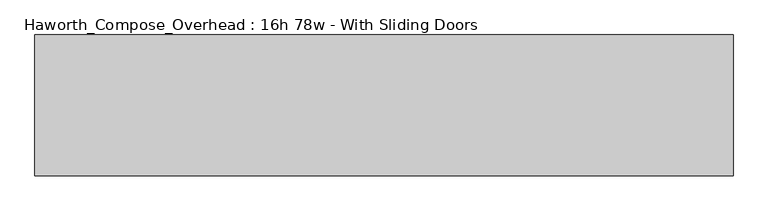
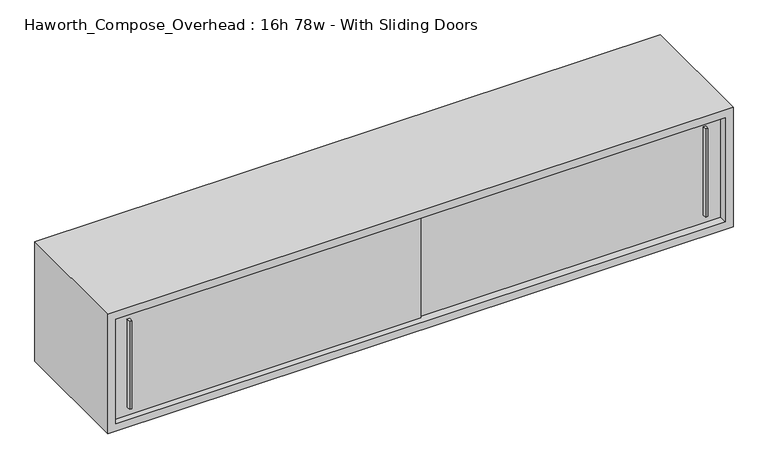
"""IFC4 building model written with IfcOpenShell, lengths in millimetres: furniture geometry, Haworth_Compose_Overhead : 16h 78w - With Sliding Doors."""

from ifc_helpers import new_model, si_unit, frame, origin, place, context, project, spatial, polyline, outline, extrude, source, transform, mapped, element, save


def haworth_compose_overhead_16h_78w_with_sliding_doors_c0ae3d52(model_context):
    return source(origin(), model_context, "Body", "SweptSolid", [
        extrude(outline(polyline([(1082.6750004, -387.3499879), (1076.3249996, -387.3499879), (1074.7375011, -374.65), (1084.2624989, -374.65), (1082.6750004, -387.3499879)])), frame((0.0, 0.0, 1322.3875), z_axis=(0.0, 0.0, 1.0), x_axis=(1.0, 0.0, 0.0)), (0.0, 0.0, 1.0), 295.275),
        extrude(outline(polyline([(-746.1249996, -393.6999879), (-752.4750004, -393.6999879), (-754.0624989, -381.0), (-744.5375011, -381.0), (-746.1249996, -393.6999879)])), frame((0.0, 0.0, 1322.3875), z_axis=(0.0, 0.0, 1.0), x_axis=(1.0, 0.0, 0.0)), (0.0, 0.0, 1.0), 295.275),
        extrude(outline(polyline([(-800.1, -374.65), (177.8, -374.65), (177.8, -381.0), (-800.1, -381.0), (-800.1, -374.65)])), frame((0.0, 0.0, 1295.4), z_axis=(0.0, 0.0, 1.0), x_axis=(1.0, 0.0, 0.0)), (0.0, 0.0, 1.0), 349.25),
        extrude(outline(polyline([(152.4, -368.3), (1130.3, -368.3), (1130.3, -374.65), (152.4, -374.65), (152.4, -368.3)])), frame((0.0, 0.0, 1295.4), z_axis=(0.0, 0.0, 1.0), x_axis=(1.0, 0.0, 0.0)), (0.0, 0.0, 1.0), 349.25),
        extrude(outline(polyline([(1130.3, -6.35), (-800.1, -6.35), (-800.1, 0.0), (1130.3, 0.0), (1130.3, -6.35)])), frame((0.0, 0.0, 1295.4), z_axis=(0.0, 0.0, 1.0), x_axis=(1.0, 0.0, 0.0)), (0.0, 0.0, 1.0), 349.25),
        extrude(outline(polyline([(1270.0, 1155.7), (1670.05, 1155.7), (1670.05, -825.5), (1270.0, -825.5), (1270.0, 1155.7)]), holes=[polyline([(1644.65, 1130.3), (1295.4, 1130.3), (1295.4, -800.1), (1644.65, -800.1), (1644.65, 1130.3)])]), frame((0.0, -400.05, 0.0), z_axis=(0.0, 1.0, 0.0), x_axis=(0.0, 0.0, 1.0)), (0.0, 0.0, 1.0), 400.05),
    ])


if __name__ == "__main__":
    model = new_model("IFC4")
    model_context = context("Model", 3, world=origin())
    ifc_project = project(units=[si_unit("LENGTHUNIT", "METRE", prefix="MILLI")], contexts=[model_context])
    site = spatial("IfcSite", under=ifc_project)
    building = spatial("IfcBuilding", under=site)
    placement = place(None, origin())
    haworth_compose_overhead_16h_78w_with_sliding_doors_shape = haworth_compose_overhead_16h_78w_with_sliding_doors_c0ae3d52(model_context)
    element("IfcFurniture", 1, ObjectType="Haworth_Compose_Overhead : 16h 78w - With Sliding Doors", at=placement, inside=building, context=model_context, shape_type="MappedRepresentation", body=[
        mapped(haworth_compose_overhead_16h_78w_with_sliding_doors_shape, transform((0.0, 0.0, 0.0), x_axis=(1.0, 0.0, 0.0), y_axis=(0.0, 1.0, 0.0), z_axis=(0.0, 0.0, 1.0))),
    ])
    save(model, "model.ifc")
